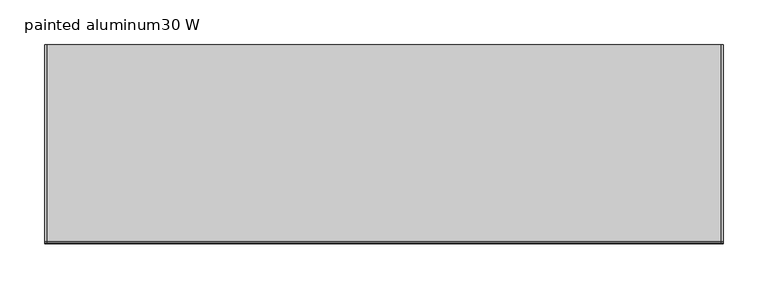
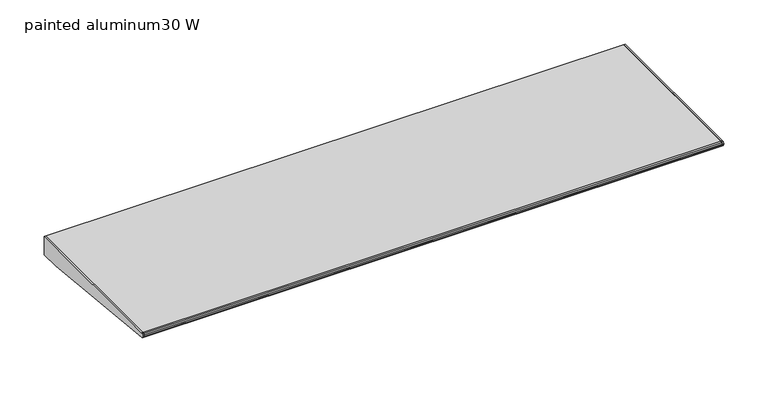
"""IFC4 building model written with IfcOpenShell, lengths in millimetres: furniture geometry, painted aluminum30 W."""

from ifc_helpers import new_model, si_unit, frame, origin, place, context, project, spatial, polyline, outline, extrude, source, transform, mapped, element, save


def painted_aluminum30_w_007f703d(model_context):
    return source(origin(), model_context, "Body", "SweptSolid", [
        extrude(outline(polyline([(-222.022331, 886.9236755), (-220.8911683, 888.3880929), (-218.9431893, 889.0), (0.0, 889.0), (0.0, 863.6), (-25.3684852, 863.6), (-219.3540346, 882.6652236), (-221.1050905, 883.410368), (-222.1155121, 885.0229581), (-222.022331, 886.9236755)])), frame((757.4279999, 0.0, 0.0), z_axis=(1.0, 0.0, 0.0), x_axis=(0.0, 1.0, 0.0)), (0.0, 0.0, 1.0), 2.032),
        extrude(outline(polyline([(-222.022331, 886.9236755), (-220.8911683, 888.3880929), (-218.9431893, 889.0), (0.0, 889.0), (0.0, 863.6), (-25.3684852, 863.6), (-219.3540346, 882.6652236), (-221.1050905, 883.410368), (-222.1155121, 885.0229581), (-222.022331, 886.9236755)])), frame((2.5400001, 0.0, 0.0), z_axis=(1.0, 0.0, 0.0), x_axis=(0.0, 1.0, 0.0)), (0.0, 0.0, 1.0), 2.032),
        extrude(outline(polyline([(0.0, 889.0), (0.0, 863.6), (-25.3684852, 863.6), (-219.3540346, 882.6652236), (-221.1050905, 883.410368), (-222.1155121, 885.0229581), (-222.022331, 886.9236755), (-220.8911683, 888.3880929), (-218.9431893, 889.0), (0.0, 889.0)])), frame((4.5720001, 0.0, 0.0), z_axis=(1.0, 0.0, 0.0), x_axis=(0.0, 1.0, 0.0)), (0.0, 0.0, 1.0), 752.8559997),
    ])


if __name__ == "__main__":
    model = new_model("IFC4")
    model_context = context("Model", 3, world=origin())
    ifc_project = project(units=[si_unit("LENGTHUNIT", "METRE", prefix="MILLI")], contexts=[model_context])
    site = spatial("IfcSite", under=ifc_project)
    building = spatial("IfcBuilding", under=site)
    placement = place(None, origin())
    painted_aluminum30_w_shape = painted_aluminum30_w_007f703d(model_context)
    element("IfcFurniture", 1, ObjectType="painted aluminum30 W", at=placement, inside=building, context=model_context, shape_type="MappedRepresentation", body=[
        mapped(painted_aluminum30_w_shape, transform((0.0, 0.0, 0.0), x_axis=(1.0, 0.0, 0.0), y_axis=(0.0, 1.0, 0.0), z_axis=(0.0, 0.0, 1.0))),
    ])
    save(model, "model.ifc")
